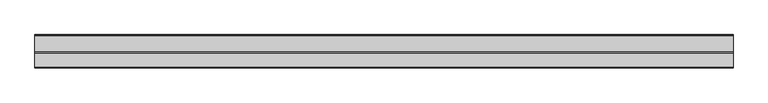
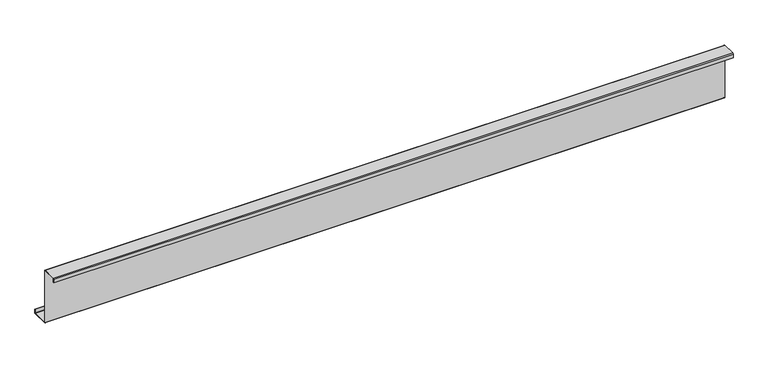
"""IFC4 building model written with IfcOpenShell, lengths in millimetres: member geometry."""

from ifc_helpers import new_model, si_unit, point, frame, frame_2d, origin, place, context, project, spatial, polyline, circle_curve, trimmed, segment, composite_curve, outline, extrude, source, transform, mapped, element, save


def member_5670c292(model_context):
    return source(origin(), model_context, "Body", "SweptSolid", [
        extrude(outline(composite_curve([segment(polyline([(0.0, -123.5), (0.0, 123.5)]), True, "CONTINUOUS"), segment(trimmed(circle_curve(frame_2d((-2.0, 123.5)), 2.0), [point((0.0, 123.5))], [point((-2.0, 125.5))], True, "CARTESIAN"), True, "CONTINUOUS"), segment(polyline([(-2.0, 125.5), (-63.5, 125.5)]), True, "CONTINUOUS"), segment(trimmed(circle_curve(frame_2d((-63.5, 123.5)), 2.0), [point((-63.5, 125.5))], [point((-65.5, 123.5))], True, "CARTESIAN"), True, "CONTINUOUS"), segment(polyline([(-65.5, 123.5), (-65.5, 107.0), (-67.0, 107.0), (-67.0, 123.5)]), True, "CONTINUOUS"), segment(trimmed(circle_curve(frame_2d((-63.5, 123.5)), 3.5), [point((-67.0, 123.5))], [point((-63.5, 127.0))], False, "CARTESIAN"), True, "CONTINUOUS"), segment(polyline([(-63.5, 127.0), (-2.0, 127.0)]), True, "CONTINUOUS"), segment(trimmed(circle_curve(frame_2d((-2.0, 123.5)), 3.5), [point((-2.0, 127.0))], [point((1.5, 123.5))], False, "CARTESIAN"), True, "CONTINUOUS"), segment(polyline([(1.5, 123.5), (1.5, -123.5)]), True, "CONTINUOUS"), segment(trimmed(circle_curve(frame_2d((3.5, -123.5)), 2.0), [point((1.5, -123.5))], [point((3.5, -125.5))], True, "CARTESIAN"), True, "CONTINUOUS"), segment(polyline([(3.5, -125.5), (75.0, -125.5)]), True, "CONTINUOUS"), segment(trimmed(circle_curve(frame_2d((75.0, -123.5)), 2.0), [point((75.0, -125.5))], [point((77.0, -123.5))], True, "CARTESIAN"), True, "CONTINUOUS"), segment(polyline([(77.0, -123.5), (77.0, -107.5), (78.5, -107.5), (78.5, -123.5)]), True, "CONTINUOUS"), segment(trimmed(circle_curve(frame_2d((75.0, -123.5)), 3.5), [point((78.5, -123.5))], [point((75.0, -127.0))], False, "CARTESIAN"), True, "CONTINUOUS"), segment(polyline([(75.0, -127.0), (3.5, -127.0)]), True, "CONTINUOUS"), segment(trimmed(circle_curve(frame_2d((3.5, -123.5)), 3.5), [point((3.5, -127.0))], [point((0.0, -123.5))], False, "CARTESIAN"), True, "CONTINUOUS")], self_intersect=False)), frame((-1530.0, 0.0, 0.0), z_axis=(1.0, 0.0, 0.0), x_axis=(0.0, 1.0, 0.0)), (0.0, 0.0, 1.0), 3060.0),
    ])


if __name__ == "__main__":
    model = new_model("IFC4")
    model_context = context("Model", 3, world=origin())
    ifc_project = project(units=[si_unit("LENGTHUNIT", "METRE", prefix="MILLI")], contexts=[model_context])
    site = spatial("IfcSite", under=ifc_project)
    building = spatial("IfcBuilding", under=site)
    placement = place(None, origin())
    member_shape = member_5670c292(model_context)
    element("IfcMember", 1, at=placement, inside=building, context=model_context, shape_type="MappedRepresentation", body=[
        mapped(member_shape, transform((0.0, 0.0, 0.0), x_axis=(1.0, 0.0, 0.0), y_axis=(0.0, 1.0, 0.0), z_axis=(0.0, 0.0, 1.0))),
    ])
    save(model, "model.ifc")
